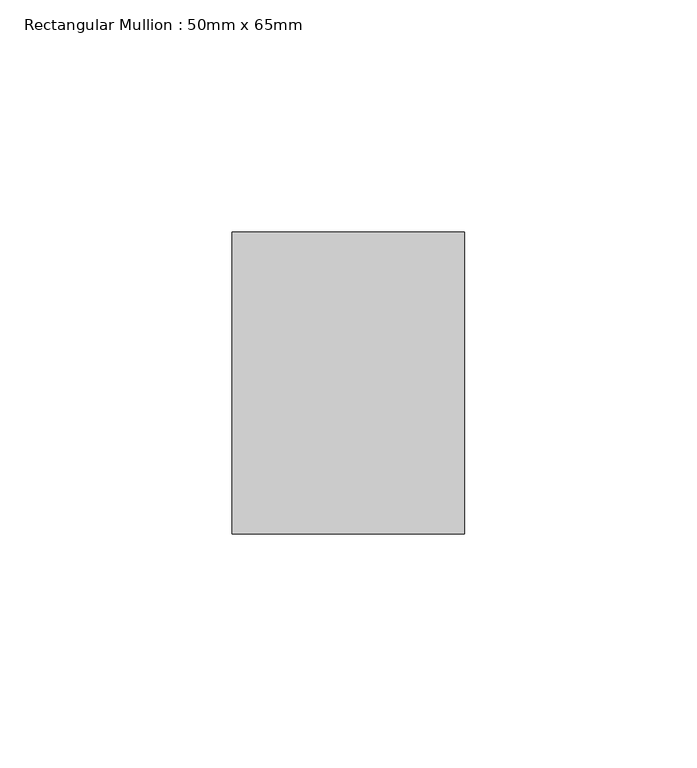
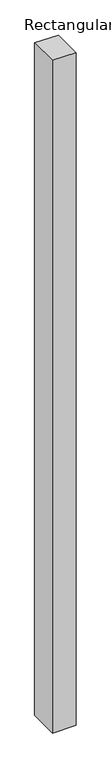
"""IFC4 building model written with IfcOpenShell, lengths in millimetres: member geometry, Rectangular Mullion : 50mm x 65mm."""

from ifc_helpers import new_model, si_unit, origin, place, context, project, spatial, faceted_brep, source, transform, mapped, element, save


def rectangular_mullion_50mm_x_65mm_7d85055e(model_context):
    return source(origin(), model_context, "Body", "Brep", [
        faceted_brep([(-25.0, 32.5, -0.1835727), (25.0, 32.5, -0.183571), (25.0, 32.5, -1499.7335841), (-25.0, 32.5, -1499.7335816), (-25.0, -32.5, 0.183571), (-25.0, -32.5, -1500.2664767), (25.0, -32.5, 0.1835727), (25.0, -32.5, -1500.2664792)], [[[0, 1, 2, 3]], [[4, 0, 3, 5]], [[6, 4, 5, 7]], [[1, 6, 7, 2]], [[1, 0, 4, 6]], [[2, 7, 5, 3]]]),
    ])


if __name__ == "__main__":
    model = new_model("IFC4")
    model_context = context("Model", 3, world=origin())
    ifc_project = project(units=[si_unit("LENGTHUNIT", "METRE", prefix="MILLI")], contexts=[model_context])
    site = spatial("IfcSite", under=ifc_project)
    building = spatial("IfcBuilding", under=site)
    placement = place(None, origin())
    rectangular_mullion_50mm_x_65mm_shape = rectangular_mullion_50mm_x_65mm_7d85055e(model_context)
    element("IfcMember", 1, ObjectType="Rectangular Mullion : 50mm x 65mm", at=placement, inside=building, context=model_context, shape_type="MappedRepresentation", body=[
        mapped(rectangular_mullion_50mm_x_65mm_shape, transform((0.0, 0.0, 0.0), x_axis=(1.0, 0.0, 0.0), y_axis=(0.0, 1.0, 0.0), z_axis=(0.0, 0.0, 1.0))),
    ])
    save(model, "model.ifc")
